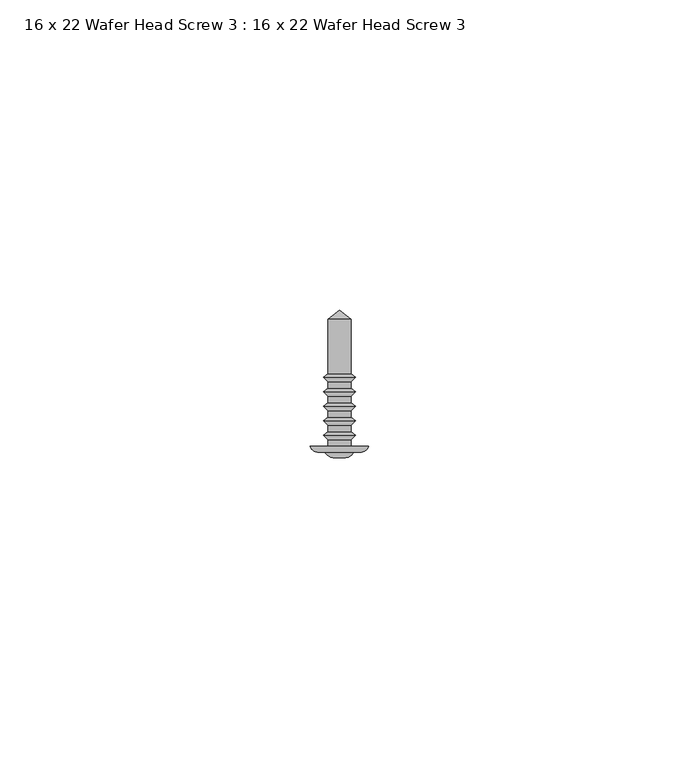
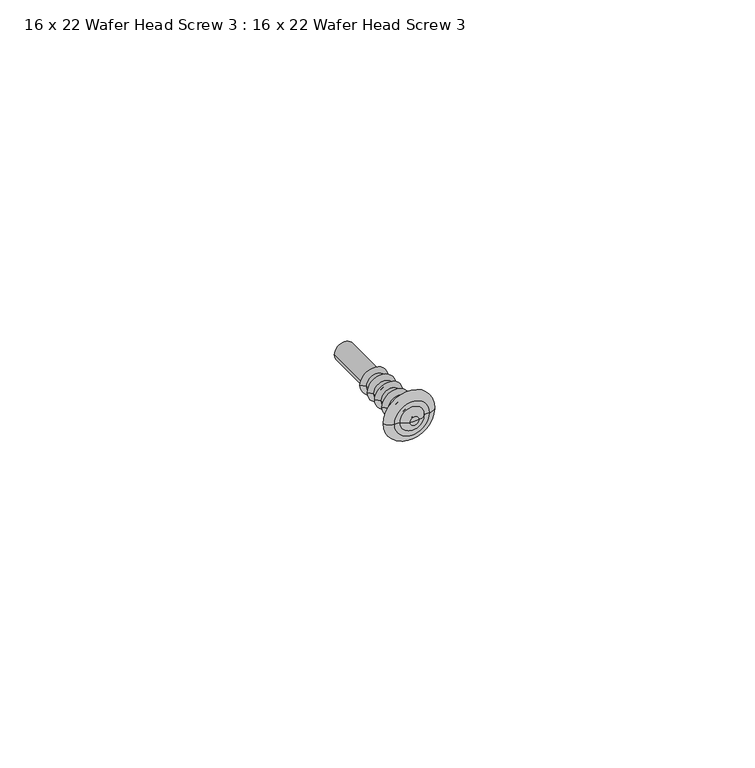
"""IFC4 building model written with IfcOpenShell, lengths in millimetres: proxy geometry, 16 x 22 Wafer Head Screw 3 : 16 x 22 Wafer Head Screw 3."""

from ifc_helpers import new_model, si_unit, point, frame, origin, place, context, project, spatial, polyline, circle_curve, ellipse_curve, trimmed, source, transform, mapped, element, save
from ifc_brep_helpers import plane_surface, cylinder_surface, revolved_surface, advanced_brep


def proxy_16_x_22_wafer_head_screw_3_16_x_22_wafer_head_screw_3_eeac3aa9(model_context):
    return source(origin(), model_context, "Body", "AdvancedBrep", [
        advanced_brep(
        [(-1.8554352, 20.4471271, 0.0), (1.8554352, 20.4471271, 0.0), (1.8554352, 11.6700547, 0.0), (-1.8554352, 11.6700547, 0.0), (2.5766059, 11.0431506, 0.0), (-2.5766059, 11.0431506, 0.0), (1.8554352, 10.3219798, 0.0), (-1.8554352, 10.3219798, 0.0), (1.8554352, 9.3360438, 0.0), (-1.8554352, 9.3360438, 0.0), (2.5766059, 8.7091396, 0.0), (-2.5766059, 8.7091396, 0.0), (1.8554352, 7.9879689, 0.0), (-1.8554352, 7.9879689, 0.0), (1.8554352, 7.0020328, 0.0), (-1.8554352, 7.0020328, 0.0), (2.5766059, 6.3751287, 0.0), (-2.5766059, 6.3751287, 0.0), (1.8554352, 5.6539579, 0.0), (-1.8554352, 5.6539579, 0.0), (1.8554352, 4.6680219, 0.0), (-1.8554352, 4.6680219, 0.0), (2.5766059, 4.0411177, 0.0), (-2.5766059, 4.0411177, 0.0), (1.8554352, 3.319947, 0.0), (-1.8554352, 3.319947, 0.0), (1.8554352, 2.3340109, 0.0), (-1.8554352, 2.3340109, 0.0), (2.5766059, 1.7071068, 0.0), (-2.5766059, 1.7071068, 0.0), (1.8694992, 1.0, 0.0), (-1.8694992, 1.0, 0.0), (1.8694992, 0.0, 0.0), (-1.8694992, 0.0, 0.0), (4.7066403, 0.0, 0.0), (-4.7066403, 0.0, 0.0), (3.2807188, -1.0359925, 0.0), (-3.2807188, -1.0359925, 0.0), (2.2807188, -1.0359925, 0.0), (-2.2807188, -1.0359925, 0.0), (0.8626721, -1.8547022, 0.0), (-0.8626721, -1.8547022, 0.0), (0.0, -1.8547022, 0.0), (0.0, 21.8452978, 0.0)],
        [
            (0, 1, circle_curve(frame((0.0, 20.4471271, 0.0), z_axis=(0.0, -1.0, 0.0), x_axis=(1.0, 0.0, 0.0)), 1.8554352)),
            (1, 2),
            (2, 3, circle_curve(frame((0.0, 11.6700547, 0.0), z_axis=(0.0, 1.0, 0.0), x_axis=(1.0, 0.0, 0.0)), 1.8554352)),
            (3, 0),
            (1, 0, circle_curve(frame((0.0, 20.4471271, 0.0), z_axis=(0.0, -1.0, 0.0), x_axis=(1.0, 0.0, 0.0)), 1.8554352)),
            (3, 2, circle_curve(frame((0.0, 11.6700547, 0.0), z_axis=(0.0, 1.0, 0.0), x_axis=(1.0, 0.0, 0.0)), 1.8554352)),
            (2, 4),
            (4, 5, circle_curve(frame((0.0, 11.0431506, 0.0), z_axis=(0.0, 1.0, 0.0), x_axis=(1.0, 0.0, 0.0)), 2.5766059)),
            (5, 3),
            (5, 4, circle_curve(frame((0.0, 11.0431506, 0.0), z_axis=(0.0, 1.0, 0.0), x_axis=(1.0, 0.0, 0.0)), 2.5766059)),
            (4, 6),
            (6, 7, circle_curve(frame((0.0, 10.3219798, 0.0), z_axis=(0.0, 1.0, 0.0), x_axis=(1.0, 0.0, 0.0)), 1.8554352)),
            (7, 5),
            (7, 6, circle_curve(frame((0.0, 10.3219798, 0.0), z_axis=(0.0, 1.0, 0.0), x_axis=(1.0, 0.0, 0.0)), 1.8554352)),
            (6, 8),
            (8, 9, circle_curve(frame((0.0, 9.3360438, 0.0), z_axis=(0.0, 1.0, 0.0), x_axis=(1.0, 0.0, 0.0)), 1.8554352)),
            (9, 7),
            (9, 8, circle_curve(frame((0.0, 9.3360438, 0.0), z_axis=(0.0, 1.0, 0.0), x_axis=(1.0, 0.0, 0.0)), 1.8554352)),
            (8, 10),
            (10, 11, circle_curve(frame((0.0, 8.7091396, 0.0), z_axis=(0.0, 1.0, 0.0), x_axis=(1.0, 0.0, 0.0)), 2.5766059)),
            (11, 9),
            (11, 10, circle_curve(frame((0.0, 8.7091396, 0.0), z_axis=(0.0, 1.0, 0.0), x_axis=(1.0, 0.0, 0.0)), 2.5766059)),
            (10, 12),
            (12, 13, circle_curve(frame((0.0, 7.9879689, 0.0), z_axis=(0.0, 1.0, 0.0), x_axis=(1.0, 0.0, 0.0)), 1.8554352)),
            (13, 11),
            (13, 12, circle_curve(frame((0.0, 7.9879689, 0.0), z_axis=(0.0, 1.0, 0.0), x_axis=(1.0, 0.0, 0.0)), 1.8554352)),
            (12, 14),
            (14, 15, circle_curve(frame((0.0, 7.0020328, 0.0), z_axis=(0.0, 1.0, 0.0), x_axis=(1.0, 0.0, 0.0)), 1.8554352)),
            (15, 13),
            (15, 14, circle_curve(frame((0.0, 7.0020328, 0.0), z_axis=(0.0, 1.0, 0.0), x_axis=(1.0, 0.0, 0.0)), 1.8554352)),
            (14, 16),
            (16, 17, circle_curve(frame((0.0, 6.3751287, 0.0), z_axis=(0.0, 1.0, 0.0), x_axis=(1.0, 0.0, 0.0)), 2.5766059)),
            (17, 15),
            (17, 16, circle_curve(frame((0.0, 6.3751287, 0.0), z_axis=(0.0, 1.0, 0.0), x_axis=(1.0, 0.0, 0.0)), 2.5766059)),
            (16, 18),
            (18, 19, circle_curve(frame((0.0, 5.6539579, 0.0), z_axis=(0.0, 1.0, 0.0), x_axis=(1.0, 0.0, 0.0)), 1.8554352)),
            (19, 17),
            (19, 18, circle_curve(frame((0.0, 5.6539579, 0.0), z_axis=(0.0, 1.0, 0.0), x_axis=(1.0, 0.0, 0.0)), 1.8554352)),
            (18, 20),
            (20, 21, circle_curve(frame((0.0, 4.6680219, 0.0), z_axis=(0.0, 1.0, 0.0), x_axis=(1.0, 0.0, 0.0)), 1.8554352)),
            (21, 19),
            (21, 20, circle_curve(frame((0.0, 4.6680219, 0.0), z_axis=(0.0, 1.0, 0.0), x_axis=(1.0, 0.0, 0.0)), 1.8554352)),
            (20, 22),
            (22, 23, circle_curve(frame((0.0, 4.0411177, 0.0), z_axis=(0.0, 1.0, 0.0), x_axis=(1.0, 0.0, 0.0)), 2.5766059)),
            (23, 21),
            (23, 22, circle_curve(frame((0.0, 4.0411177, 0.0), z_axis=(0.0, 1.0, 0.0), x_axis=(1.0, 0.0, 0.0)), 2.5766059)),
            (22, 24),
            (24, 25, circle_curve(frame((0.0, 3.319947, 0.0), z_axis=(0.0, 1.0, 0.0), x_axis=(1.0, 0.0, 0.0)), 1.8554352)),
            (25, 23),
            (25, 24, circle_curve(frame((0.0, 3.319947, 0.0), z_axis=(0.0, 1.0, 0.0), x_axis=(1.0, 0.0, 0.0)), 1.8554352)),
            (24, 26),
            (26, 27, circle_curve(frame((0.0, 2.3340109, 0.0), z_axis=(0.0, 1.0, 0.0), x_axis=(1.0, 0.0, 0.0)), 1.8554352)),
            (27, 25),
            (27, 26, circle_curve(frame((0.0, 2.3340109, 0.0), z_axis=(0.0, 1.0, 0.0), x_axis=(1.0, 0.0, 0.0)), 1.8554352)),
            (26, 28),
            (28, 29, circle_curve(frame((0.0, 1.7071068, 0.0), z_axis=(0.0, 1.0, 0.0), x_axis=(1.0, 0.0, 0.0)), 2.5766059)),
            (29, 27),
            (29, 28, circle_curve(frame((0.0, 1.7071068, 0.0), z_axis=(0.0, 1.0, 0.0), x_axis=(1.0, 0.0, 0.0)), 2.5766059)),
            (28, 30),
            (30, 31, circle_curve(frame((0.0, 1.0, 0.0), z_axis=(0.0, 1.0, 0.0), x_axis=(1.0, 0.0, 0.0)), 1.8694992)),
            (31, 29),
            (31, 30, circle_curve(frame((0.0, 1.0, 0.0), z_axis=(0.0, 1.0, 0.0), x_axis=(1.0, 0.0, 0.0)), 1.8694992)),
            (30, 32),
            (32, 33, circle_curve(frame((0.0, 0.0, 0.0), z_axis=(0.0, 1.0, 0.0), x_axis=(1.0, 0.0, 0.0)), 1.8694992)),
            (33, 31),
            (33, 32, circle_curve(frame((0.0, 0.0, 0.0), z_axis=(0.0, 1.0, 0.0), x_axis=(1.0, 0.0, 0.0)), 1.8694992)),
            (32, 34),
            (34, 35, circle_curve(frame((0.0, 0.0, 0.0), z_axis=(0.0, 1.0, 0.0), x_axis=(1.0, 0.0, 0.0)), 4.7066403)),
            (35, 33),
            (35, 34, circle_curve(frame((0.0, 0.0, 0.0), z_axis=(0.0, 1.0, 0.0), x_axis=(1.0, 0.0, 0.0)), 4.7066403)),
            (34, 36, circle_curve(frame((3.3352308, 0.3882807, 0.0), z_axis=(0.0, 0.0, -1.0), x_axis=(0.0, -1.0, 0.0)), 1.425316)),
            (36, 37, circle_curve(frame((0.0, -1.0359925, 0.0), z_axis=(0.0, 1.0, 0.0), x_axis=(1.0, 0.0, 0.0)), 3.2807188)),
            (37, 35, circle_curve(frame((-3.3352308, 0.3882807, 0.0), z_axis=(0.0, 0.0, -1.0), x_axis=(0.0, -1.0, 0.0)), 1.425316)),
            (37, 36, circle_curve(frame((0.0, -1.0359925, 0.0), z_axis=(0.0, 1.0, 0.0), x_axis=(1.0, 0.0, 0.0)), 3.2807188)),
            (36, 38),
            (38, 39, circle_curve(frame((0.0, -1.0359925, 0.0), z_axis=(0.0, 1.0, 0.0), x_axis=(1.0, 0.0, 0.0)), 2.2807188)),
            (39, 37),
            (39, 38, circle_curve(frame((0.0, -1.0359925, 0.0), z_axis=(0.0, 1.0, 0.0), x_axis=(1.0, 0.0, 0.0)), 2.2807188)),
            (38, 40, circle_curve(frame((0.8939585, -0.2714724, 0.0), z_axis=(0.0, 0.0, -1.0), x_axis=(0.0, -1.0, 0.0)), 1.5835389)),
            (40, 41, circle_curve(frame((0.0, -1.8547022, 0.0), z_axis=(0.0, 1.0, 0.0), x_axis=(1.0, 0.0, 0.0)), 0.8626721)),
            (41, 39, circle_curve(frame((-0.8939585, -0.2714724, 0.0), z_axis=(0.0, 0.0, -1.0), x_axis=(0.0, -1.0, 0.0)), 1.5835389)),
            (41, 40, circle_curve(frame((0.0, -1.8547022, 0.0), z_axis=(0.0, 1.0, 0.0), x_axis=(1.0, 0.0, 0.0)), 0.8626721)),
            (40, 42),
            (42, 41),
            (43, 1),
            (0, 43),
        ],
        [
            cylinder_surface(frame((0.0, 22.2103269, 0.0), z_axis=(0.0, 1.0, 0.0), x_axis=(1.0, 0.0, 0.0)), 1.8554352),
            revolved_surface(polyline([(2.5766059, 11.0431506, 0.0), (1.8554352, 11.6700547, 0.0)]), (0.0, 22.2103269, 0.0), (0.0, 1.0, 0.0)),
            revolved_surface(polyline([(1.8554352, 10.3219798, 0.0), (2.5766059, 11.0431506, 0.0)]), (0.0, 22.2103269, 0.0), (0.0, 1.0, 0.0)),
            revolved_surface(polyline([(2.5766059, 8.7091396, 0.0), (1.8554352, 9.3360438, 0.0)]), (0.0, 22.2103269, 0.0), (0.0, 1.0, 0.0)),
            revolved_surface(polyline([(1.8554352, 7.9879689, 0.0), (2.5766059, 8.7091396, 0.0)]), (0.0, 22.2103269, 0.0), (0.0, 1.0, 0.0)),
            revolved_surface(polyline([(2.5766059, 6.3751287, 0.0), (1.8554352, 7.0020328, 0.0)]), (0.0, 22.2103269, 0.0), (0.0, 1.0, 0.0)),
            revolved_surface(polyline([(1.8554352, 5.6539579, 0.0), (2.5766059, 6.3751287, 0.0)]), (0.0, 22.2103269, 0.0), (0.0, 1.0, 0.0)),
            revolved_surface(polyline([(2.5766059, 4.0411177, 0.0), (1.8554352, 4.6680219, 0.0)]), (0.0, 22.2103269, 0.0), (0.0, 1.0, 0.0)),
            revolved_surface(polyline([(1.8554352, 3.319947, 0.0), (2.5766059, 4.0411177, 0.0)]), (0.0, 22.2103269, 0.0), (0.0, 1.0, 0.0)),
            revolved_surface(polyline([(2.5766059, 1.7071068, 0.0), (1.8554352, 2.3340109, 0.0)]), (0.0, 22.2103269, 0.0), (0.0, 1.0, 0.0)),
            revolved_surface(polyline([(1.8694992, 1.0, 0.0), (2.5766059, 1.7071068, 0.0)]), (0.0, 22.2103269, 0.0), (0.0, 1.0, 0.0)),
            cylinder_surface(frame((0.0, 22.2103269, 0.0), z_axis=(0.0, 1.0, 0.0), x_axis=(1.0, 0.0, 0.0)), 1.8694992),
            plane_surface(frame((0.0, 0.0, 0.0), z_axis=(0.0, 1.0, 0.0), x_axis=(1.0, 0.0, 0.0))),
            revolved_surface(trimmed(ellipse_curve(frame((3.3352308, 0.3882807, 0.0), z_axis=(0.0, 0.0, 1.0), x_axis=(0.0, -1.0, 0.0)), 1.425316, 1.425316), [point((3.2807188, -1.0359925, 0.0))], [point((4.7066403, 0.0, 0.0))], True, "CARTESIAN"), (0.0, 22.2103269, 0.0), (0.0, 1.0, 0.0)),
            plane_surface(frame((0.0, -1.0359925, 0.0), z_axis=(0.0, -1.0, 0.0), x_axis=(1.0, 0.0, 0.0))),
            revolved_surface(trimmed(ellipse_curve(frame((0.8939585, -0.2714724, 0.0), z_axis=(0.0, 0.0, 1.0), x_axis=(0.0, -1.0, 0.0)), 1.5835389, 1.5835389), [point((0.8626721, -1.8547022, 0.0))], [point((2.2807188, -1.0359925, 0.0))], True, "CARTESIAN"), (0.0, 22.2103269, 0.0), (0.0, 1.0, 0.0)),
            plane_surface(frame((0.0, -1.8547022, 0.0), z_axis=(0.0, -1.0, 0.0), x_axis=(1.0, 0.0, 0.0))),
            revolved_surface(polyline([(1.8554352, 20.4471271, 0.0), (0.0, 21.8452978, 0.0)]), (0.0, 22.2103269, 0.0), (0.0, 1.0, 0.0)),
        ],
        [
            (0, [[1, 2, 3, 4]]),
            (0, [[5, -4, 6, -2]]),
            (1, [[-3, 7, 8, 9]]),
            (1, [[-6, -9, 10, -7]]),
            (2, [[-8, 11, 12, 13]]),
            (2, [[-10, -13, 14, -11]]),
            (0, [[-12, 15, 16, 17]]),
            (0, [[-14, -17, 18, -15]]),
            (3, [[-16, 19, 20, 21]]),
            (3, [[-18, -21, 22, -19]]),
            (4, [[-20, 23, 24, 25]]),
            (4, [[-22, -25, 26, -23]]),
            (0, [[-24, 27, 28, 29]]),
            (0, [[-26, -29, 30, -27]]),
            (5, [[-28, 31, 32, 33]]),
            (5, [[-30, -33, 34, -31]]),
            (6, [[-32, 35, 36, 37]]),
            (6, [[-34, -37, 38, -35]]),
            (0, [[-36, 39, 40, 41]]),
            (0, [[-38, -41, 42, -39]]),
            (7, [[-40, 43, 44, 45]]),
            (7, [[-42, -45, 46, -43]]),
            (8, [[-44, 47, 48, 49]]),
            (8, [[-46, -49, 50, -47]]),
            (0, [[-48, 51, 52, 53]]),
            (0, [[-50, -53, 54, -51]]),
            (9, [[-52, 55, 56, 57]]),
            (9, [[-54, -57, 58, -55]]),
            (10, [[-56, 59, 60, 61]]),
            (10, [[-58, -61, 62, -59]]),
            (11, [[-60, 63, 64, 65]]),
            (11, [[-62, -65, 66, -63]]),
            (12, [[-64, 67, 68, 69]]),
            (12, [[-66, -69, 70, -67]]),
            (13, [[-68, 71, 72, 73]]),
            (13, [[-70, -73, 74, -71]]),
            (14, [[-72, 75, 76, 77]]),
            (14, [[-74, -77, 78, -75]]),
            (15, [[-76, 79, 80, 81]]),
            (15, [[-78, -81, 82, -79]]),
            (16, [[-80, 83, 84]]),
            (16, [[-82, -84, -83]]),
            (17, [[85, -1, 86]]),
            (17, [[-86, -5, -85]]),
        ],
    ),
    ])


if __name__ == "__main__":
    model = new_model("IFC4")
    model_context = context("Model", 3, world=origin())
    ifc_project = project(units=[si_unit("LENGTHUNIT", "METRE", prefix="MILLI")], contexts=[model_context])
    site = spatial("IfcSite", under=ifc_project)
    building = spatial("IfcBuilding", under=site)
    placement = place(None, origin())
    proxy_16_x_22_wafer_head_screw_3_16_x_22_wafer_head_screw_3_shape = proxy_16_x_22_wafer_head_screw_3_16_x_22_wafer_head_screw_3_eeac3aa9(model_context)
    element("IfcBuildingElementProxy", 1, Name="16 x 22 Wafer Head Screw 3 : 16 x 22 Wafer Head Screw 3", ObjectType="16 x 22 Wafer Head Screw 3 : 16 x 22 Wafer Head Screw 3", at=placement, inside=building, context=model_context, shape_type="MappedRepresentation", body=[
        mapped(proxy_16_x_22_wafer_head_screw_3_16_x_22_wafer_head_screw_3_shape, transform((0.0, 0.0, 0.0), x_axis=(1.0, 0.0, 0.0), y_axis=(0.0, 1.0, 0.0), z_axis=(0.0, 0.0, 1.0))),
    ])
    save(model, "model.ifc")
